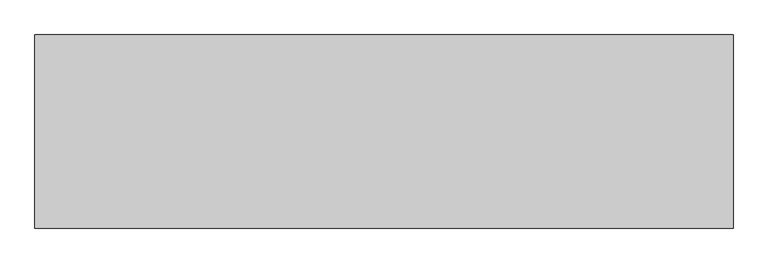
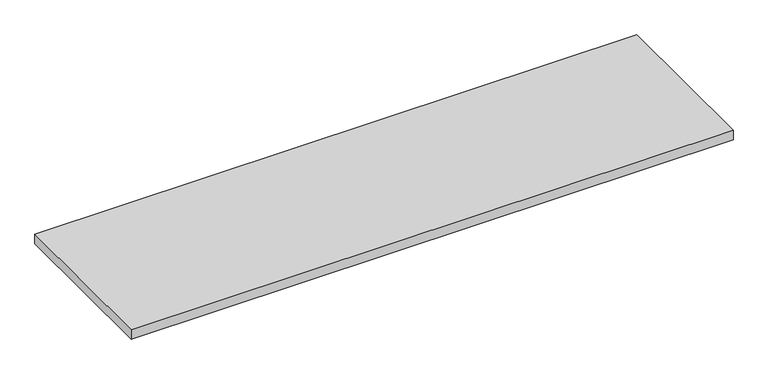
"""IFC4 building model written with IfcOpenShell, lengths in millimetres: furniture geometry."""

from ifc_helpers import new_model, si_unit, frame, origin, place, context, project, spatial, polyline, outline, extrude, source, transform, mapped, element, save


def furniture_8e9bb512(model_context):
    return source(origin(), model_context, "Body", "SweptSolid", [
        extrude(outline(polyline([(1065.276, 833.501), (1065.276, 328.549), (-760.476, 328.549), (-760.476, 833.501), (1065.276, 833.501)])), frame((0.0, 0.0, 1040.384), z_axis=(0.0, 0.0, 1.0), x_axis=(1.0, 0.0, 0.0)), (0.0, 0.0, 1.0), 29.591),
    ])


if __name__ == "__main__":
    model = new_model("IFC4")
    model_context = context("Model", 3, world=origin())
    ifc_project = project(units=[si_unit("LENGTHUNIT", "METRE", prefix="MILLI")], contexts=[model_context])
    site = spatial("IfcSite", under=ifc_project)
    building = spatial("IfcBuilding", under=site)
    placement = place(None, origin())
    furniture_shape = furniture_8e9bb512(model_context)
    element("IfcFurniture", 1, at=placement, inside=building, context=model_context, shape_type="MappedRepresentation", body=[
        mapped(furniture_shape, transform((0.0, 0.0, 0.0), x_axis=(1.0, 0.0, 0.0), y_axis=(0.0, 1.0, 0.0), z_axis=(0.0, 0.0, 1.0))),
    ])
    save(model, "model.ifc")
